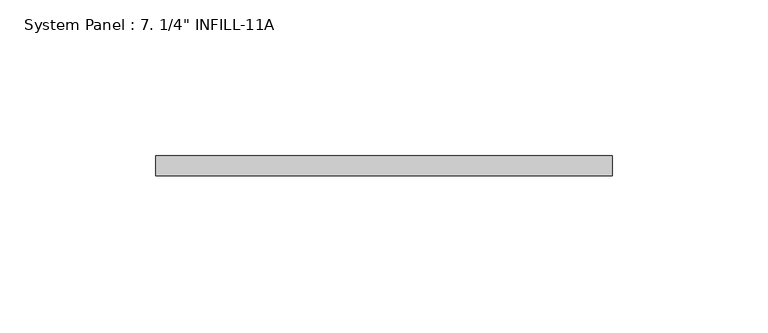
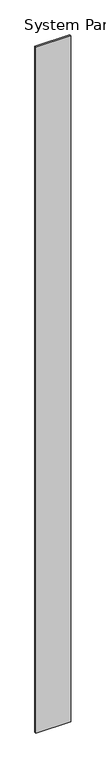
"""IFC4 building model written with IfcOpenShell, lengths in millimetres: plate geometry."""

from ifc_helpers import new_model, si_unit, origin, origin_with_axes, place, context, project, spatial, polyline, outline, extrude, source, transform, mapped, element, save


def plate_fa6a9ac4(model_context):
    return source(origin(), model_context, "Body", "SweptSolid", [
        extrude(outline(polyline([(73.2885521, 0.0), (-73.2885521, 0.0), (-73.2885521, 6.35), (73.2885521, 6.35), (73.2885521, 0.0)])), origin_with_axes(), (0.0, 0.0, 1.0), 3048.0),
    ])


if __name__ == "__main__":
    model = new_model("IFC4")
    model_context = context("Model", 3, world=origin())
    ifc_project = project(units=[si_unit("LENGTHUNIT", "METRE", prefix="MILLI")], contexts=[model_context])
    site = spatial("IfcSite", under=ifc_project)
    building = spatial("IfcBuilding", under=site)
    placement = place(None, origin())
    plate_shape = plate_fa6a9ac4(model_context)
    element("IfcPlate", 1, ObjectType="System Panel : 7. 1/4\" INFILL-11A", at=placement, inside=building, context=model_context, shape_type="MappedRepresentation", body=[
        mapped(plate_shape, transform((0.0, 0.0, 0.0), x_axis=(1.0, 0.0, 0.0), y_axis=(0.0, 1.0, 0.0), z_axis=(0.0, 0.0, 1.0))),
    ])
    save(model, "model.ifc")
